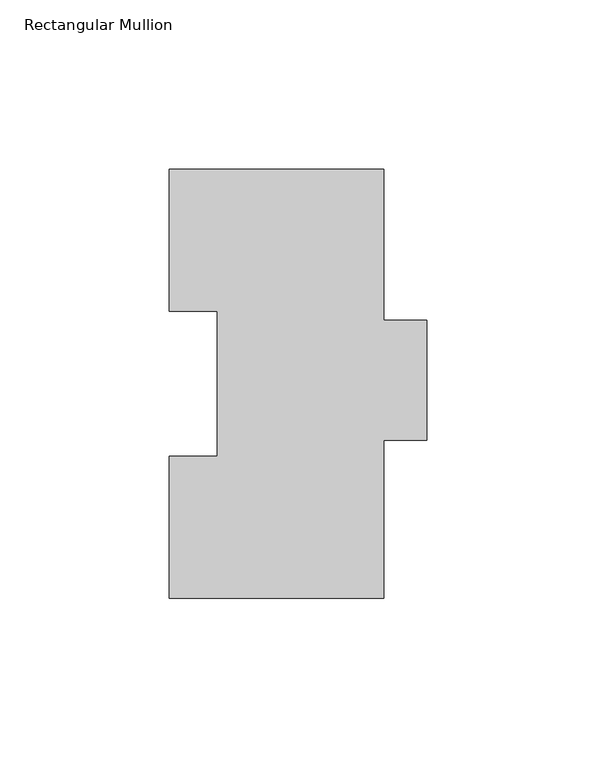
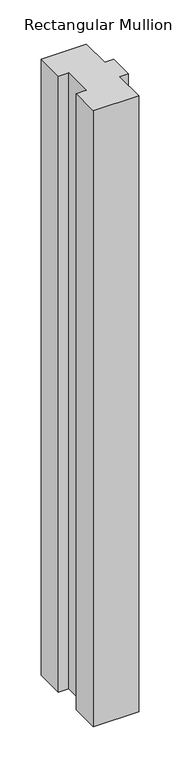
"""IFC4 building model written with IfcOpenShell, lengths in millimetres: member geometry, Rectangular Mullion."""

from ifc_helpers import new_model, si_unit, frame, origin, place, context, project, spatial, polyline, outline, extrude, source, transform, mapped, element, save


def rectangular_mullion_b3019622(model_context):
    return source(origin(), model_context, "Body", "SweptSolid", [
        extrude(outline(polyline([(-31.7502713, 127.00635), (31.75, 127.00635), (31.75, 82.30235), (44.45, 82.30235), (44.45, 46.8376), (31.75, 46.8376), (31.75, 0.00635), (-31.7497287, 0.00635), (-31.7497287, 42.08145), (-17.4622287, 42.08145), (-17.4622287, 84.93125), (-31.7502713, 84.93125), (-31.7502713, 127.00635)])), frame((0.0, 0.0, -914.4), z_axis=(0.0, 0.0, 1.0), x_axis=(1.0, 0.0, 0.0)), (0.0, 0.0, 1.0), 914.4),
    ])


if __name__ == "__main__":
    model = new_model("IFC4")
    model_context = context("Model", 3, world=origin())
    ifc_project = project(units=[si_unit("LENGTHUNIT", "METRE", prefix="MILLI")], contexts=[model_context])
    site = spatial("IfcSite", under=ifc_project)
    building = spatial("IfcBuilding", under=site)
    placement = place(None, origin())
    rectangular_mullion_shape = rectangular_mullion_b3019622(model_context)
    element("IfcMember", 1, ObjectType="Rectangular Mullion", at=placement, inside=building, context=model_context, shape_type="MappedRepresentation", body=[
        mapped(rectangular_mullion_shape, transform((0.0, 0.0, 0.0), x_axis=(1.0, 0.0, 0.0), y_axis=(0.0, 1.0, 0.0), z_axis=(0.0, 0.0, 1.0))),
    ])
    save(model, "model.ifc")
